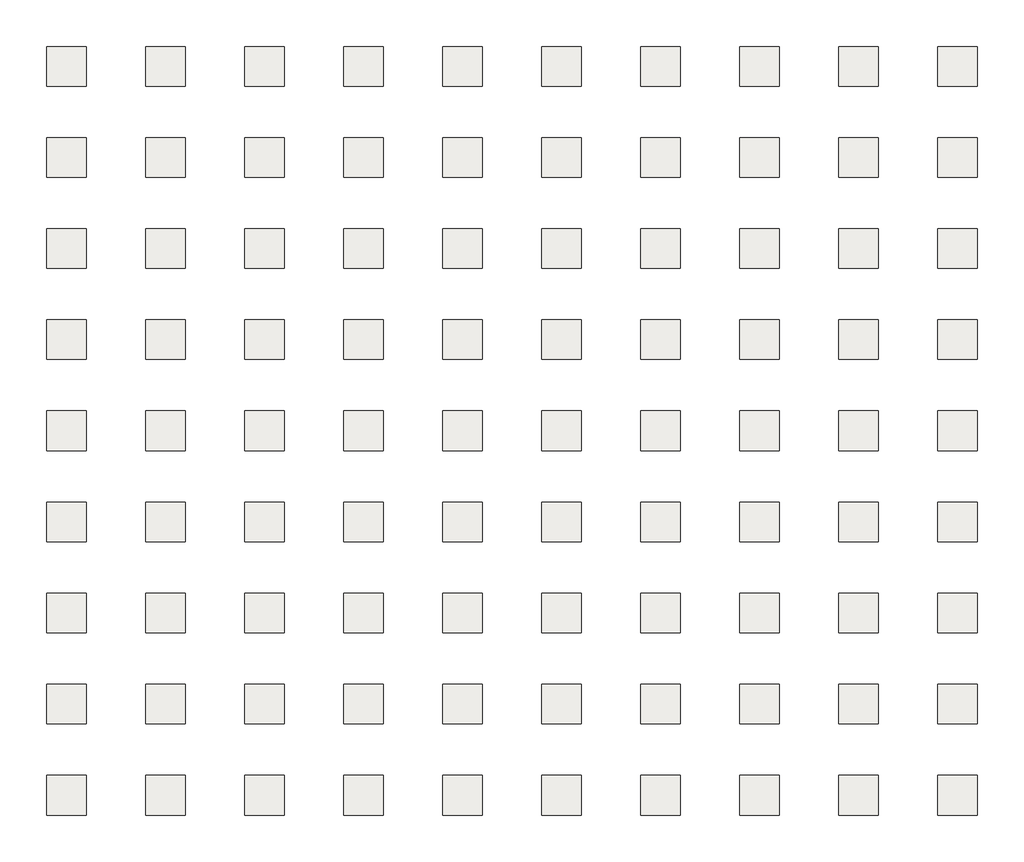
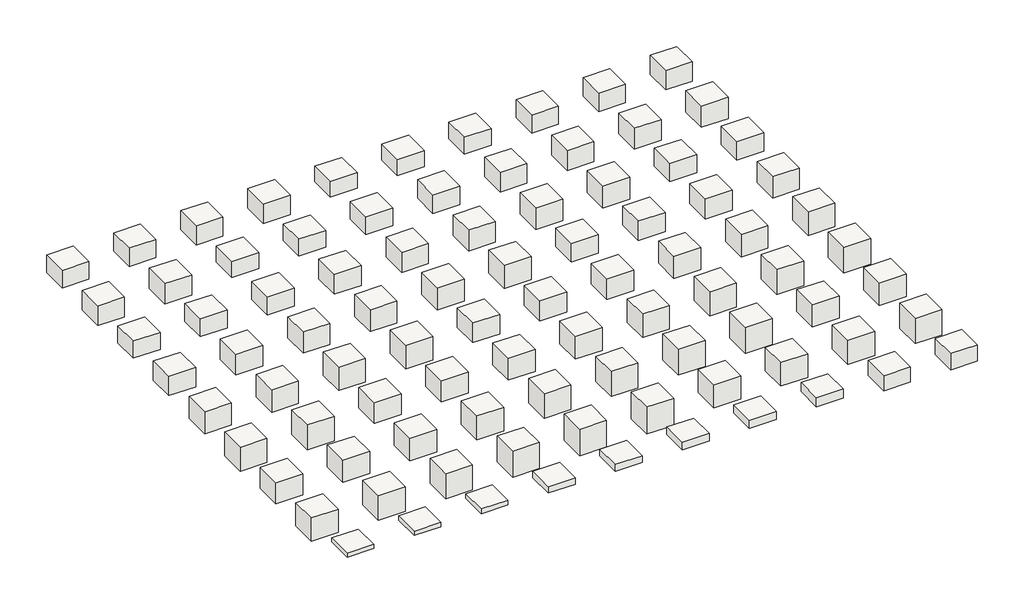
# One storey: 90 slabs.
"""IFC4 building model written with IfcOpenShell, lengths in millimetres."""

from ifc_helpers import new_model, si_unit, frame, origin, place, context, project, spatial, polyline, outline, extrude, element, save

model = new_model("IFC4")

# Units and contexts
model_context = context("Model", 3, world=origin())
ifc_project = project(units=[si_unit("LENGTHUNIT", "METRE", prefix="MILLI")], contexts=[model_context])

# Site, building, storey
site = spatial("IfcSite", under=ifc_project)
building = spatial("IfcBuilding", under=site)
storey = spatial("IfcBuildingStorey", under=building, Elevation=14935.2)

# Slabs
placement = place(None, origin())
element("IfcSlab", 1, at=placement, inside=storey, context=model_context, shape_type="SweptSolid", body=[
    extrude(outline(polyline([(-14128.9835383, 9270.2863389), (-14128.9835383, 6222.2863389), (-17176.9835383, 6222.2863389), (-17176.9835383, 9270.2863389), (-14128.9835383, 9270.2863389)])), frame((0.0, 0.0, 12811.7599892), z_axis=(0.0, 0.0, 1.0), x_axis=(1.0, 0.0, 0.0)), (0.0, 0.0, 1.0), 2123.4400108),
])
element("IfcSlab", 2, at=placement, inside=storey, context=model_context, shape_type="SweptSolid", body=[
    extrude(outline(polyline([(-6508.9835383, 9270.2863389), (-6508.9835383, 6222.2863389), (-9556.9835383, 6222.2863389), (-9556.9835383, 9270.2863389), (-6508.9835383, 9270.2863389)])), frame((0.0, 0.0, 12735.5599892), z_axis=(0.0, 0.0, 1.0), x_axis=(1.0, 0.0, 0.0)), (0.0, 0.0, 1.0), 2199.6400108),
])
element("IfcSlab", 3, at=placement, inside=storey, context=model_context, shape_type="SweptSolid", body=[
    extrude(outline(polyline([(1111.0164617, 9270.2863389), (1111.0164617, 6222.2863389), (-1936.9835383, 6222.2863389), (-1936.9835383, 9270.2863389), (1111.0164617, 9270.2863389)])), frame((0.0, 0.0, 12659.3599892), z_axis=(0.0, 0.0, 1.0), x_axis=(1.0, 0.0, 0.0)), (0.0, 0.0, 1.0), 2275.8400108),
])
element("IfcSlab", 4, at=placement, inside=storey, context=model_context, shape_type="SweptSolid", body=[
    extrude(outline(polyline([(8731.0164617, 9270.2863389), (8731.0164617, 6222.2863389), (5683.0164617, 6222.2863389), (5683.0164617, 9270.2863389), (8731.0164617, 9270.2863389)])), frame((0.0, 0.0, 12583.1599892), z_axis=(0.0, 0.0, 1.0), x_axis=(1.0, 0.0, 0.0)), (0.0, 0.0, 1.0), 2352.0400108),
])
element("IfcSlab", 5, at=placement, inside=storey, context=model_context, shape_type="SweptSolid", body=[
    extrude(outline(polyline([(16351.0164617, 9270.2863389), (16351.0164617, 6222.2863389), (13303.0164617, 6222.2863389), (13303.0164617, 9270.2863389), (16351.0164617, 9270.2863389)])), frame((0.0, 0.0, 13091.1599407), z_axis=(0.0, 0.0, 1.0), x_axis=(1.0, 0.0, 0.0)), (0.0, 0.0, 1.0), 1844.0400593),
])
element("IfcSlab", 6, at=placement, inside=storey, context=model_context, shape_type="SweptSolid", body=[
    extrude(outline(polyline([(23971.0164617, 9270.2863389), (23971.0164617, 6222.2863389), (20923.0164617, 6222.2863389), (20923.0164617, 9270.2863389), (23971.0164617, 9270.2863389)])), frame((0.0, 0.0, 13014.9599407), z_axis=(0.0, 0.0, 1.0), x_axis=(1.0, 0.0, 0.0)), (0.0, 0.0, 1.0), 1920.2400593),
])
element("IfcSlab", 7, at=placement, inside=storey, context=model_context, shape_type="SweptSolid", body=[
    extrude(outline(polyline([(31591.0164617, 9270.2863389), (31591.0164617, 6222.2863389), (28543.0164617, 6222.2863389), (28543.0164617, 9270.2863389), (31591.0164617, 9270.2863389)])), frame((0.0, 0.0, 12938.7599407), z_axis=(0.0, 0.0, 1.0), x_axis=(1.0, 0.0, 0.0)), (0.0, 0.0, 1.0), 1996.4400593),
])
element("IfcSlab", 8, at=placement, inside=storey, context=model_context, shape_type="SweptSolid", body=[
    extrude(outline(polyline([(39211.0164617, 9270.2863389), (39211.0164617, 6222.2863389), (36163.0164617, 6222.2863389), (36163.0164617, 9270.2863389), (39211.0164617, 9270.2863389)])), frame((0.0, 0.0, 12786.3599407), z_axis=(0.0, 0.0, 1.0), x_axis=(1.0, 0.0, 0.0)), (0.0, 0.0, 1.0), 2148.8400593),
])
element("IfcSlab", 9, at=placement, inside=storey, context=model_context, shape_type="SweptSolid", body=[
    extrude(outline(polyline([(46831.0164617, 9270.2863389), (46831.0164617, 6222.2863389), (43783.0164617, 6222.2863389), (43783.0164617, 9270.2863389), (46831.0164617, 9270.2863389)])), frame((0.0, 0.0, 12710.1599407), z_axis=(0.0, 0.0, 1.0), x_axis=(1.0, 0.0, 0.0)), (0.0, 0.0, 1.0), 2225.0400593),
])
element("IfcSlab", 10, at=placement, inside=storey, context=model_context, shape_type="SweptSolid", body=[
    extrude(outline(polyline([(54451.0164617, 9270.2863389), (54451.0164617, 6222.2863389), (51403.0164617, 6222.2863389), (51403.0164617, 9270.2863389), (54451.0164617, 9270.2863389)])), frame((0.0, 0.0, 12633.9599407), z_axis=(0.0, 0.0, 1.0), x_axis=(1.0, 0.0, 0.0)), (0.0, 0.0, 1.0), 2301.2400593),
])
element("IfcSlab", 11, at=placement, inside=storey, context=model_context, shape_type="SweptSolid", body=[
    extrude(outline(polyline([(-14128.9835383, 2259.8863389), (-14128.9835383, -788.1136611), (-17176.9835383, -788.1136611), (-17176.9835383, 2259.8863389), (-14128.9835383, 2259.8863389)])), frame((0.0, 0.0, 12557.7599407), z_axis=(0.0, 0.0, 1.0), x_axis=(1.0, 0.0, 0.0)), (0.0, 0.0, 1.0), 2377.4400593),
])
element("IfcSlab", 12, at=placement, inside=storey, context=model_context, shape_type="SweptSolid", body=[
    extrude(outline(polyline([(-6508.9835383, 2259.8863389), (-6508.9835383, -788.1136611), (-9556.9835383, -788.1136611), (-9556.9835383, 2259.8863389), (-6508.9835383, 2259.8863389)])), frame((0.0, 0.0, 12481.5599407), z_axis=(0.0, 0.0, 1.0), x_axis=(1.0, 0.0, 0.0)), (0.0, 0.0, 1.0), 2453.6400593),
])
element("IfcSlab", 13, at=placement, inside=storey, context=model_context, shape_type="SweptSolid", body=[
    extrude(outline(polyline([(1111.0164617, 2259.8863389), (1111.0164617, -788.1136611), (-1936.9835383, -788.1136611), (-1936.9835383, 2259.8863389), (1111.0164617, 2259.8863389)])), frame((0.0, 0.0, 12992.0999989), z_axis=(0.0, 0.0, 1.0), x_axis=(1.0, 0.0, 0.0)), (0.0, 0.0, 1.0), 1943.1000011),
])
element("IfcSlab", 14, at=placement, inside=storey, context=model_context, shape_type="SweptSolid", body=[
    extrude(outline(polyline([(8731.0164617, 2259.8863389), (8731.0164617, -788.1136611), (5683.0164617, -788.1136611), (5683.0164617, 2259.8863389), (8731.0164617, 2259.8863389)])), frame((0.0, 0.0, 12915.8999989), z_axis=(0.0, 0.0, 1.0), x_axis=(1.0, 0.0, 0.0)), (0.0, 0.0, 1.0), 2019.3000011),
])
element("IfcSlab", 15, at=placement, inside=storey, context=model_context, shape_type="SweptSolid", body=[
    extrude(outline(polyline([(16351.0164617, 2259.8863389), (16351.0164617, -788.1136611), (13303.0164617, -788.1136611), (13303.0164617, 2259.8863389), (16351.0164617, 2259.8863389)])), frame((0.0, 0.0, 12839.6999989), z_axis=(0.0, 0.0, 1.0), x_axis=(1.0, 0.0, 0.0)), (0.0, 0.0, 1.0), 2095.5000011),
])
element("IfcSlab", 16, at=placement, inside=storey, context=model_context, shape_type="SweptSolid", body=[
    extrude(outline(polyline([(23971.0164617, 2259.8863389), (23971.0164617, -788.1136611), (20923.0164617, -788.1136611), (20923.0164617, 2259.8863389), (23971.0164617, 2259.8863389)])), frame((0.0, 0.0, 12687.2999989), z_axis=(0.0, 0.0, 1.0), x_axis=(1.0, 0.0, 0.0)), (0.0, 0.0, 1.0), 2247.9000011),
])
element("IfcSlab", 17, at=placement, inside=storey, context=model_context, shape_type="SweptSolid", body=[
    extrude(outline(polyline([(31591.0164617, 2259.8863389), (31591.0164617, -788.1136611), (28543.0164617, -788.1136611), (28543.0164617, 2259.8863389), (31591.0164617, 2259.8863389)])), frame((0.0, 0.0, 12611.0999989), z_axis=(0.0, 0.0, 1.0), x_axis=(1.0, 0.0, 0.0)), (0.0, 0.0, 1.0), 2324.1000011),
])
element("IfcSlab", 18, at=placement, inside=storey, context=model_context, shape_type="SweptSolid", body=[
    extrude(outline(polyline([(39211.0164617, 2259.8863389), (39211.0164617, -788.1136611), (36163.0164617, -788.1136611), (36163.0164617, 2259.8863389), (39211.0164617, 2259.8863389)])), frame((0.0, 0.0, 12534.8999989), z_axis=(0.0, 0.0, 1.0), x_axis=(1.0, 0.0, 0.0)), (0.0, 0.0, 1.0), 2400.3000011),
])
element("IfcSlab", 19, at=placement, inside=storey, context=model_context, shape_type="SweptSolid", body=[
    extrude(outline(polyline([(46831.0164617, 2259.8863389), (46831.0164617, -788.1136611), (43783.0164617, -788.1136611), (43783.0164617, 2259.8863389), (46831.0164617, 2259.8863389)])), frame((0.0, 0.0, 12458.6999989), z_axis=(0.0, 0.0, 1.0), x_axis=(1.0, 0.0, 0.0)), (0.0, 0.0, 1.0), 2476.5000011),
])
element("IfcSlab", 20, at=placement, inside=storey, context=model_context, shape_type="SweptSolid", body=[
    extrude(outline(polyline([(54451.0164617, 2259.8863389), (54451.0164617, -788.1136611), (51403.0164617, -788.1136611), (51403.0164617, 2259.8863389), (54451.0164617, 2259.8863389)])), frame((0.0, 0.0, 12382.4999989), z_axis=(0.0, 0.0, 1.0), x_axis=(1.0, 0.0, 0.0)), (0.0, 0.0, 1.0), 2552.7000011),
])
element("IfcSlab", 21, at=placement, inside=storey, context=model_context, shape_type="SweptSolid", body=[
    extrude(outline(polyline([(-14128.9835383, -4750.5136611), (-14128.9835383, -7798.5136611), (-17176.9835383, -7798.5136611), (-17176.9835383, -4750.5136611), (-14128.9835383, -4750.5136611)])), frame((0.0, 0.0, 12893.040057), z_axis=(0.0, 0.0, 1.0), x_axis=(1.0, 0.0, 0.0)), (0.0, 0.0, 1.0), 2042.159943),
])
element("IfcSlab", 22, at=placement, inside=storey, context=model_context, shape_type="SweptSolid", body=[
    extrude(outline(polyline([(-6508.9835383, -4750.5136611), (-6508.9835383, -7798.5136611), (-9556.9835383, -7798.5136611), (-9556.9835383, -4750.5136611), (-6508.9835383, -4750.5136611)])), frame((0.0, 0.0, 12816.840057), z_axis=(0.0, 0.0, 1.0), x_axis=(1.0, 0.0, 0.0)), (0.0, 0.0, 1.0), 2118.359943),
])
element("IfcSlab", 23, at=placement, inside=storey, context=model_context, shape_type="SweptSolid", body=[
    extrude(outline(polyline([(1111.0164617, -4750.5136611), (1111.0164617, -7798.5136611), (-1936.9835383, -7798.5136611), (-1936.9835383, -4750.5136611), (1111.0164617, -4750.5136611)])), frame((0.0, 0.0, 12740.640057), z_axis=(0.0, 0.0, 1.0), x_axis=(1.0, 0.0, 0.0)), (0.0, 0.0, 1.0), 2194.559943),
])
element("IfcSlab", 24, at=placement, inside=storey, context=model_context, shape_type="SweptSolid", body=[
    extrude(outline(polyline([(8731.0164617, -4750.5136611), (8731.0164617, -7798.5136611), (5683.0164617, -7798.5136611), (5683.0164617, -4750.5136611), (8731.0164617, -4750.5136611)])), frame((0.0, 0.0, 12588.240057), z_axis=(0.0, 0.0, 1.0), x_axis=(1.0, 0.0, 0.0)), (0.0, 0.0, 1.0), 2346.959943),
])
element("IfcSlab", 25, at=placement, inside=storey, context=model_context, shape_type="SweptSolid", body=[
    extrude(outline(polyline([(16351.0164617, -4750.5136611), (16351.0164617, -7798.5136611), (13303.0164617, -7798.5136611), (13303.0164617, -4750.5136611), (16351.0164617, -4750.5136611)])), frame((0.0, 0.0, 12512.040057), z_axis=(0.0, 0.0, 1.0), x_axis=(1.0, 0.0, 0.0)), (0.0, 0.0, 1.0), 2423.159943),
])
element("IfcSlab", 26, at=placement, inside=storey, context=model_context, shape_type="SweptSolid", body=[
    extrude(outline(polyline([(23971.0164617, -4750.5136611), (23971.0164617, -7798.5136611), (20923.0164617, -7798.5136611), (20923.0164617, -4750.5136611), (23971.0164617, -4750.5136611)])), frame((0.0, 0.0, 12435.840057), z_axis=(0.0, 0.0, 1.0), x_axis=(1.0, 0.0, 0.0)), (0.0, 0.0, 1.0), 2499.359943),
])
element("IfcSlab", 27, at=placement, inside=storey, context=model_context, shape_type="SweptSolid", body=[
    extrude(outline(polyline([(31591.0164617, -4750.5136611), (31591.0164617, -7798.5136611), (28543.0164617, -7798.5136611), (28543.0164617, -4750.5136611), (31591.0164617, -4750.5136611)])), frame((0.0, 0.0, 12359.640057), z_axis=(0.0, 0.0, 1.0), x_axis=(1.0, 0.0, 0.0)), (0.0, 0.0, 1.0), 2575.559943),
])
element("IfcSlab", 28, at=placement, inside=storey, context=model_context, shape_type="SweptSolid", body=[
    extrude(outline(polyline([(39211.0164617, -4750.5136611), (39211.0164617, -7798.5136611), (36163.0164617, -7798.5136611), (36163.0164617, -4750.5136611), (39211.0164617, -4750.5136611)])), frame((0.0, 0.0, 12283.440057), z_axis=(0.0, 0.0, 1.0), x_axis=(1.0, 0.0, 0.0)), (0.0, 0.0, 1.0), 2651.759943),
])
element("IfcSlab", 29, at=placement, inside=storey, context=model_context, shape_type="SweptSolid", body=[
    extrude(outline(polyline([(46831.0164617, -4750.5136611), (46831.0164617, -7798.5136611), (43783.0164617, -7798.5136611), (43783.0164617, -4750.5136611), (46831.0164617, -4750.5136611)])), frame((0.0, 0.0, 12791.4400086), z_axis=(0.0, 0.0, 1.0), x_axis=(1.0, 0.0, 0.0)), (0.0, 0.0, 1.0), 2143.7599914),
])
element("IfcSlab", 30, at=placement, inside=storey, context=model_context, shape_type="SweptSolid", body=[
    extrude(outline(polyline([(54451.0164617, -4750.5136611), (54451.0164617, -7798.5136611), (51403.0164617, -7798.5136611), (51403.0164617, -4750.5136611), (54451.0164617, -4750.5136611)])), frame((0.0, 0.0, 12715.2400086), z_axis=(0.0, 0.0, 1.0), x_axis=(1.0, 0.0, 0.0)), (0.0, 0.0, 1.0), 2219.9599914),
])
element("IfcSlab", 31, at=placement, inside=storey, context=model_context, shape_type="SweptSolid", body=[
    extrude(outline(polyline([(-14128.9835383, -11760.9136611), (-14128.9835383, -14808.9136611), (-17176.9835383, -14808.9136611), (-17176.9835383, -11760.9136611), (-14128.9835383, -11760.9136611)])), frame((0.0, 0.0, 12639.0400086), z_axis=(0.0, 0.0, 1.0), x_axis=(1.0, 0.0, 0.0)), (0.0, 0.0, 1.0), 2296.1599914),
])
element("IfcSlab", 32, at=placement, inside=storey, context=model_context, shape_type="SweptSolid", body=[
    extrude(outline(polyline([(-6508.9835383, -11760.9136611), (-6508.9835383, -14808.9136611), (-9556.9835383, -14808.9136611), (-9556.9835383, -11760.9136611), (-6508.9835383, -11760.9136611)])), frame((0.0, 0.0, 12486.6400086), z_axis=(0.0, 0.0, 1.0), x_axis=(1.0, 0.0, 0.0)), (0.0, 0.0, 1.0), 2448.5599914),
])
element("IfcSlab", 33, at=placement, inside=storey, context=model_context, shape_type="SweptSolid", body=[
    extrude(outline(polyline([(1111.0164617, -11760.9136611), (1111.0164617, -14808.9136611), (-1936.9835383, -14808.9136611), (-1936.9835383, -11760.9136611), (1111.0164617, -11760.9136611)])), frame((0.0, 0.0, 12410.4400086), z_axis=(0.0, 0.0, 1.0), x_axis=(1.0, 0.0, 0.0)), (0.0, 0.0, 1.0), 2524.7599914),
])
element("IfcSlab", 34, at=placement, inside=storey, context=model_context, shape_type="SweptSolid", body=[
    extrude(outline(polyline([(8731.0164617, -11760.9136611), (8731.0164617, -14808.9136611), (5683.0164617, -14808.9136611), (5683.0164617, -11760.9136611), (8731.0164617, -11760.9136611)])), frame((0.0, 0.0, 12334.2400086), z_axis=(0.0, 0.0, 1.0), x_axis=(1.0, 0.0, 0.0)), (0.0, 0.0, 1.0), 2600.9599914),
])
element("IfcSlab", 35, at=placement, inside=storey, context=model_context, shape_type="SweptSolid", body=[
    extrude(outline(polyline([(16351.0164617, -11760.9136611), (16351.0164617, -14808.9136611), (13303.0164617, -14808.9136611), (13303.0164617, -11760.9136611), (16351.0164617, -11760.9136611)])), frame((0.0, 0.0, 12258.0400086), z_axis=(0.0, 0.0, 1.0), x_axis=(1.0, 0.0, 0.0)), (0.0, 0.0, 1.0), 2677.1599914),
])
element("IfcSlab", 36, at=placement, inside=storey, context=model_context, shape_type="SweptSolid", body=[
    extrude(outline(polyline([(23971.0164617, -11760.9136611), (23971.0164617, -14808.9136611), (20923.0164617, -14808.9136611), (20923.0164617, -11760.9136611), (23971.0164617, -11760.9136611)])), frame((0.0, 0.0, 12181.8400086), z_axis=(0.0, 0.0, 1.0), x_axis=(1.0, 0.0, 0.0)), (0.0, 0.0, 1.0), 2753.3599914),
])
element("IfcSlab", 37, at=placement, inside=storey, context=model_context, shape_type="SweptSolid", body=[
    extrude(outline(polyline([(31591.0164617, -11760.9136611), (31591.0164617, -14808.9136611), (28543.0164617, -14808.9136611), (28543.0164617, -11760.9136611), (31591.0164617, -11760.9136611)])), frame((0.0, 0.0, 12692.3800667), z_axis=(0.0, 0.0, 1.0), x_axis=(1.0, 0.0, 0.0)), (0.0, 0.0, 1.0), 2242.8199333),
])
element("IfcSlab", 38, at=placement, inside=storey, context=model_context, shape_type="SweptSolid", body=[
    extrude(outline(polyline([(39211.0164617, -11760.9136611), (39211.0164617, -14808.9136611), (36163.0164617, -14808.9136611), (36163.0164617, -11760.9136611), (39211.0164617, -11760.9136611)])), frame((0.0, 0.0, 12616.1800667), z_axis=(0.0, 0.0, 1.0), x_axis=(1.0, 0.0, 0.0)), (0.0, 0.0, 1.0), 2319.0199333),
])
element("IfcSlab", 39, at=placement, inside=storey, context=model_context, shape_type="SweptSolid", body=[
    extrude(outline(polyline([(46831.0164617, -11760.9136611), (46831.0164617, -14808.9136611), (43783.0164617, -14808.9136611), (43783.0164617, -11760.9136611), (46831.0164617, -11760.9136611)])), frame((0.0, 0.0, 12539.9800667), z_axis=(0.0, 0.0, 1.0), x_axis=(1.0, 0.0, 0.0)), (0.0, 0.0, 1.0), 2395.2199333),
])
element("IfcSlab", 40, at=placement, inside=storey, context=model_context, shape_type="SweptSolid", body=[
    extrude(outline(polyline([(54451.0164617, -11760.9136611), (54451.0164617, -14808.9136611), (51403.0164617, -14808.9136611), (51403.0164617, -11760.9136611), (54451.0164617, -11760.9136611)])), frame((0.0, 0.0, 12387.5800667), z_axis=(0.0, 0.0, 1.0), x_axis=(1.0, 0.0, 0.0)), (0.0, 0.0, 1.0), 2547.6199333),
])
element("IfcSlab", 41, at=placement, inside=storey, context=model_context, shape_type="SweptSolid", body=[
    extrude(outline(polyline([(-14128.9835383, -18771.3136611), (-14128.9835383, -21819.3136611), (-17176.9835383, -21819.3136611), (-17176.9835383, -18771.3136611), (-14128.9835383, -18771.3136611)])), frame((0.0, 0.0, 12311.3800667), z_axis=(0.0, 0.0, 1.0), x_axis=(1.0, 0.0, 0.0)), (0.0, 0.0, 1.0), 2623.8199333),
])
element("IfcSlab", 42, at=placement, inside=storey, context=model_context, shape_type="SweptSolid", body=[
    extrude(outline(polyline([(-6508.9835383, -18771.3136611), (-6508.9835383, -21819.3136611), (-9556.9835383, -21819.3136611), (-9556.9835383, -18771.3136611), (-6508.9835383, -18771.3136611)])), frame((0.0, 0.0, 12235.1800667), z_axis=(0.0, 0.0, 1.0), x_axis=(1.0, 0.0, 0.0)), (0.0, 0.0, 1.0), 2700.0199333),
])
element("IfcSlab", 43, at=placement, inside=storey, context=model_context, shape_type="SweptSolid", body=[
    extrude(outline(polyline([(1111.0164617, -18771.3136611), (1111.0164617, -21819.3136611), (-1936.9835383, -21819.3136611), (-1936.9835383, -18771.3136611), (1111.0164617, -18771.3136611)])), frame((0.0, 0.0, 12158.9800667), z_axis=(0.0, 0.0, 1.0), x_axis=(1.0, 0.0, 0.0)), (0.0, 0.0, 1.0), 2776.2199333),
])
element("IfcSlab", 44, at=placement, inside=storey, context=model_context, shape_type="SweptSolid", body=[
    extrude(outline(polyline([(8731.0164617, -18771.3136611), (8731.0164617, -21819.3136611), (5683.0164617, -21819.3136611), (5683.0164617, -18771.3136611), (8731.0164617, -18771.3136611)])), frame((0.0, 0.0, 12082.7800667), z_axis=(0.0, 0.0, 1.0), x_axis=(1.0, 0.0, 0.0)), (0.0, 0.0, 1.0), 2852.4199333),
])
element("IfcSlab", 45, at=placement, inside=storey, context=model_context, shape_type="SweptSolid", body=[
    extrude(outline(polyline([(16351.0164617, -18771.3136611), (16351.0164617, -21819.3136611), (13303.0164617, -21819.3136611), (13303.0164617, -18771.3136611), (16351.0164617, -18771.3136611)])), frame((0.0, 0.0, 12593.3199795), z_axis=(0.0, 0.0, 1.0), x_axis=(1.0, 0.0, 0.0)), (0.0, 0.0, 1.0), 2341.8800205),
])
element("IfcSlab", 46, at=placement, inside=storey, context=model_context, shape_type="SweptSolid", body=[
    extrude(outline(polyline([(23971.0164617, -18771.3136611), (23971.0164617, -21819.3136611), (20923.0164617, -21819.3136611), (20923.0164617, -18771.3136611), (23971.0164617, -18771.3136611)])), frame((0.0, 0.0, 12517.1199795), z_axis=(0.0, 0.0, 1.0), x_axis=(1.0, 0.0, 0.0)), (0.0, 0.0, 1.0), 2418.0800205),
])
element("IfcSlab", 47, at=placement, inside=storey, context=model_context, shape_type="SweptSolid", body=[
    extrude(outline(polyline([(31591.0164617, -18771.3136611), (31591.0164617, -21819.3136611), (28543.0164617, -21819.3136611), (28543.0164617, -18771.3136611), (31591.0164617, -18771.3136611)])), frame((0.0, 0.0, 12440.9199795), z_axis=(0.0, 0.0, 1.0), x_axis=(1.0, 0.0, 0.0)), (0.0, 0.0, 1.0), 2494.2800205),
])
element("IfcSlab", 48, at=placement, inside=storey, context=model_context, shape_type="SweptSolid", body=[
    extrude(outline(polyline([(39211.0164617, -18771.3136611), (39211.0164617, -21819.3136611), (36163.0164617, -21819.3136611), (36163.0164617, -18771.3136611), (39211.0164617, -18771.3136611)])), frame((0.0, 0.0, 12288.5199795), z_axis=(0.0, 0.0, 1.0), x_axis=(1.0, 0.0, 0.0)), (0.0, 0.0, 1.0), 2646.6800205),
])
element("IfcSlab", 49, at=placement, inside=storey, context=model_context, shape_type="SweptSolid", body=[
    extrude(outline(polyline([(46831.0164617, -18771.3136611), (46831.0164617, -21819.3136611), (43783.0164617, -21819.3136611), (43783.0164617, -18771.3136611), (46831.0164617, -18771.3136611)])), frame((0.0, 0.0, 12212.3199795), z_axis=(0.0, 0.0, 1.0), x_axis=(1.0, 0.0, 0.0)), (0.0, 0.0, 1.0), 2722.8800205),
])
element("IfcSlab", 50, at=placement, inside=storey, context=model_context, shape_type="SweptSolid", body=[
    extrude(outline(polyline([(54451.0164617, -18771.3136611), (54451.0164617, -21819.3136611), (51403.0164617, -21819.3136611), (51403.0164617, -18771.3136611), (54451.0164617, -18771.3136611)])), frame((0.0, 0.0, 12136.1199795), z_axis=(0.0, 0.0, 1.0), x_axis=(1.0, 0.0, 0.0)), (0.0, 0.0, 1.0), 2799.0800205),
])
element("IfcSlab", 51, at=placement, inside=storey, context=model_context, shape_type="SweptSolid", body=[
    extrude(outline(polyline([(-14128.9835383, -25781.7136611), (-14128.9835383, -28829.7136611), (-17176.9835383, -28829.7136611), (-17176.9835383, -25781.7136611), (-14128.9835383, -25781.7136611)])), frame((0.0, 0.0, 12059.9199795), z_axis=(0.0, 0.0, 1.0), x_axis=(1.0, 0.0, 0.0)), (0.0, 0.0, 1.0), 2875.2800205),
])
element("IfcSlab", 52, at=placement, inside=storey, context=model_context, shape_type="SweptSolid", body=[
    extrude(outline(polyline([(-6508.9835383, -25781.7136611), (-6508.9835383, -28829.7136611), (-9556.9835383, -28829.7136611), (-9556.9835383, -25781.7136611), (-6508.9835383, -25781.7136611)])), frame((0.0, 0.0, 11983.7199795), z_axis=(0.0, 0.0, 1.0), x_axis=(1.0, 0.0, 0.0)), (0.0, 0.0, 1.0), 2951.4800205),
])
element("IfcSlab", 53, at=placement, inside=storey, context=model_context, shape_type="SweptSolid", body=[
    extrude(outline(polyline([(1111.0164617, -25781.7136611), (1111.0164617, -28829.7136611), (-1936.9835383, -28829.7136611), (-1936.9835383, -25781.7136611), (1111.0164617, -25781.7136611)])), frame((0.0, 0.0, 12491.719931), z_axis=(0.0, 0.0, 1.0), x_axis=(1.0, 0.0, 0.0)), (0.0, 0.0, 1.0), 2443.480069),
])
element("IfcSlab", 54, at=placement, inside=storey, context=model_context, shape_type="SweptSolid", body=[
    extrude(outline(polyline([(8731.0164617, -25781.7136611), (8731.0164617, -28829.7136611), (5683.0164617, -28829.7136611), (5683.0164617, -25781.7136611), (8731.0164617, -25781.7136611)])), frame((0.0, 0.0, 12415.519931), z_axis=(0.0, 0.0, 1.0), x_axis=(1.0, 0.0, 0.0)), (0.0, 0.0, 1.0), 2519.680069),
])
element("IfcSlab", 55, at=placement, inside=storey, context=model_context, shape_type="SweptSolid", body=[
    extrude(outline(polyline([(16351.0164617, -25781.7136611), (16351.0164617, -28829.7136611), (13303.0164617, -28829.7136611), (13303.0164617, -25781.7136611), (16351.0164617, -25781.7136611)])), frame((0.0, 0.0, 12339.319931), z_axis=(0.0, 0.0, 1.0), x_axis=(1.0, 0.0, 0.0)), (0.0, 0.0, 1.0), 2595.880069),
])
element("IfcSlab", 56, at=placement, inside=storey, context=model_context, shape_type="SweptSolid", body=[
    extrude(outline(polyline([(23971.0164617, -25781.7136611), (23971.0164617, -28829.7136611), (20923.0164617, -28829.7136611), (20923.0164617, -25781.7136611), (23971.0164617, -25781.7136611)])), frame((0.0, 0.0, 12186.919931), z_axis=(0.0, 0.0, 1.0), x_axis=(1.0, 0.0, 0.0)), (0.0, 0.0, 1.0), 2748.280069),
])
element("IfcSlab", 57, at=placement, inside=storey, context=model_context, shape_type="SweptSolid", body=[
    extrude(outline(polyline([(31591.0164617, -25781.7136611), (31591.0164617, -28829.7136611), (28543.0164617, -28829.7136611), (28543.0164617, -25781.7136611), (31591.0164617, -25781.7136611)])), frame((0.0, 0.0, 12110.719931), z_axis=(0.0, 0.0, 1.0), x_axis=(1.0, 0.0, 0.0)), (0.0, 0.0, 1.0), 2824.480069),
])
element("IfcSlab", 58, at=placement, inside=storey, context=model_context, shape_type="SweptSolid", body=[
    extrude(outline(polyline([(39211.0164617, -25781.7136611), (39211.0164617, -28829.7136611), (36163.0164617, -28829.7136611), (36163.0164617, -25781.7136611), (39211.0164617, -25781.7136611)])), frame((0.0, 0.0, 12034.519931), z_axis=(0.0, 0.0, 1.0), x_axis=(1.0, 0.0, 0.0)), (0.0, 0.0, 1.0), 2900.680069),
])
element("IfcSlab", 59, at=placement, inside=storey, context=model_context, shape_type="SweptSolid", body=[
    extrude(outline(polyline([(46831.0164617, -25781.7136611), (46831.0164617, -28829.7136611), (43783.0164617, -28829.7136611), (43783.0164617, -25781.7136611), (46831.0164617, -25781.7136611)])), frame((0.0, 0.0, 11958.319931), z_axis=(0.0, 0.0, 1.0), x_axis=(1.0, 0.0, 0.0)), (0.0, 0.0, 1.0), 2976.880069),
])
element("IfcSlab", 60, at=placement, inside=storey, context=model_context, shape_type="SweptSolid", body=[
    extrude(outline(polyline([(54451.0164617, -25781.7136611), (54451.0164617, -28829.7136611), (51403.0164617, -28829.7136611), (51403.0164617, -25781.7136611), (54451.0164617, -25781.7136611)])), frame((0.0, 0.0, 11882.119931), z_axis=(0.0, 0.0, 1.0), x_axis=(1.0, 0.0, 0.0)), (0.0, 0.0, 1.0), 3053.080069),
])
element("IfcSlab", 61, at=placement, inside=storey, context=model_context, shape_type="SweptSolid", body=[
    extrude(outline(polyline([(-14128.9835383, -32792.1136611), (-14128.9835383, -35840.1136611), (-17176.9835383, -35840.1136611), (-17176.9835383, -32792.1136611), (-14128.9835383, -32792.1136611)])), frame((0.0, 0.0, 12392.6599892), z_axis=(0.0, 0.0, 1.0), x_axis=(1.0, 0.0, 0.0)), (0.0, 0.0, 1.0), 2542.5400108),
])
element("IfcSlab", 62, at=placement, inside=storey, context=model_context, shape_type="SweptSolid", body=[
    extrude(outline(polyline([(-6508.9835383, -32792.1136611), (-6508.9835383, -35840.1136611), (-9556.9835383, -35840.1136611), (-9556.9835383, -32792.1136611), (-6508.9835383, -32792.1136611)])), frame((0.0, 0.0, 12316.4599892), z_axis=(0.0, 0.0, 1.0), x_axis=(1.0, 0.0, 0.0)), (0.0, 0.0, 1.0), 2618.7400108),
])
element("IfcSlab", 63, at=placement, inside=storey, context=model_context, shape_type="SweptSolid", body=[
    extrude(outline(polyline([(1111.0164617, -32792.1136611), (1111.0164617, -35840.1136611), (-1936.9835383, -35840.1136611), (-1936.9835383, -32792.1136611), (1111.0164617, -32792.1136611)])), frame((0.0, 0.0, 12240.2599892), z_axis=(0.0, 0.0, 1.0), x_axis=(1.0, 0.0, 0.0)), (0.0, 0.0, 1.0), 2694.9400108),
])
element("IfcSlab", 64, at=placement, inside=storey, context=model_context, shape_type="SweptSolid", body=[
    extrude(outline(polyline([(8731.0164617, -32792.1136611), (8731.0164617, -35840.1136611), (5683.0164617, -35840.1136611), (5683.0164617, -32792.1136611), (8731.0164617, -32792.1136611)])), frame((0.0, 0.0, 12087.8599892), z_axis=(0.0, 0.0, 1.0), x_axis=(1.0, 0.0, 0.0)), (0.0, 0.0, 1.0), 2847.3400108),
])
element("IfcSlab", 65, at=placement, inside=storey, context=model_context, shape_type="SweptSolid", body=[
    extrude(outline(polyline([(16351.0164617, -32792.1136611), (16351.0164617, -35840.1136611), (13303.0164617, -35840.1136611), (13303.0164617, -32792.1136611), (16351.0164617, -32792.1136611)])), frame((0.0, 0.0, 12011.6599892), z_axis=(0.0, 0.0, 1.0), x_axis=(1.0, 0.0, 0.0)), (0.0, 0.0, 1.0), 2923.5400108),
])
element("IfcSlab", 66, at=placement, inside=storey, context=model_context, shape_type="SweptSolid", body=[
    extrude(outline(polyline([(23971.0164617, -32792.1136611), (23971.0164617, -35840.1136611), (20923.0164617, -35840.1136611), (20923.0164617, -32792.1136611), (23971.0164617, -32792.1136611)])), frame((0.0, 0.0, 11935.4599892), z_axis=(0.0, 0.0, 1.0), x_axis=(1.0, 0.0, 0.0)), (0.0, 0.0, 1.0), 2999.7400108),
])
element("IfcSlab", 67, at=placement, inside=storey, context=model_context, shape_type="SweptSolid", body=[
    extrude(outline(polyline([(31591.0164617, -32792.1136611), (31591.0164617, -35840.1136611), (28543.0164617, -35840.1136611), (28543.0164617, -32792.1136611), (31591.0164617, -32792.1136611)])), frame((0.0, 0.0, 11859.2599892), z_axis=(0.0, 0.0, 1.0), x_axis=(1.0, 0.0, 0.0)), (0.0, 0.0, 1.0), 3075.9400108),
])
element("IfcSlab", 68, at=placement, inside=storey, context=model_context, shape_type="SweptSolid", body=[
    extrude(outline(polyline([(39211.0164617, -32792.1136611), (39211.0164617, -35840.1136611), (36163.0164617, -35840.1136611), (36163.0164617, -32792.1136611), (39211.0164617, -32792.1136611)])), frame((0.0, 0.0, 11783.0599892), z_axis=(0.0, 0.0, 1.0), x_axis=(1.0, 0.0, 0.0)), (0.0, 0.0, 1.0), 3152.1400108),
])
element("IfcSlab", 69, at=placement, inside=storey, context=model_context, shape_type="SweptSolid", body=[
    extrude(outline(polyline([(46831.0164617, -32792.1136611), (46831.0164617, -35840.1136611), (43783.0164617, -35840.1136611), (43783.0164617, -32792.1136611), (46831.0164617, -32792.1136611)])), frame((0.0, 0.0, 12291.0599407), z_axis=(0.0, 0.0, 1.0), x_axis=(1.0, 0.0, 0.0)), (0.0, 0.0, 1.0), 2644.1400593),
])
element("IfcSlab", 70, at=placement, inside=storey, context=model_context, shape_type="SweptSolid", body=[
    extrude(outline(polyline([(54451.0164617, -32792.1136611), (54451.0164617, -35840.1136611), (51403.0164617, -35840.1136611), (51403.0164617, -32792.1136611), (54451.0164617, -32792.1136611)])), frame((0.0, 0.0, 12214.8599407), z_axis=(0.0, 0.0, 1.0), x_axis=(1.0, 0.0, 0.0)), (0.0, 0.0, 1.0), 2720.3400593),
])
element("IfcSlab", 71, at=placement, inside=storey, context=model_context, shape_type="SweptSolid", body=[
    extrude(outline(polyline([(-14128.9835383, -39802.5136611), (-14128.9835383, -42850.5136611), (-17176.9835383, -42850.5136611), (-17176.9835383, -39802.5136611), (-14128.9835383, -39802.5136611)])), frame((0.0, 0.0, 12138.6599407), z_axis=(0.0, 0.0, 1.0), x_axis=(1.0, 0.0, 0.0)), (0.0, 0.0, 1.0), 2796.5400593),
])
element("IfcSlab", 72, at=placement, inside=storey, context=model_context, shape_type="SweptSolid", body=[
    extrude(outline(polyline([(-6508.9835383, -39802.5136611), (-6508.9835383, -42850.5136611), (-9556.9835383, -42850.5136611), (-9556.9835383, -39802.5136611), (-6508.9835383, -39802.5136611)])), frame((0.0, 0.0, 11986.2599407), z_axis=(0.0, 0.0, 1.0), x_axis=(1.0, 0.0, 0.0)), (0.0, 0.0, 1.0), 2948.9400593),
])
element("IfcSlab", 73, at=placement, inside=storey, context=model_context, shape_type="SweptSolid", body=[
    extrude(outline(polyline([(1111.0164617, -39802.5136611), (1111.0164617, -42850.5136611), (-1936.9835383, -42850.5136611), (-1936.9835383, -39802.5136611), (1111.0164617, -39802.5136611)])), frame((0.0, 0.0, 11910.0599407), z_axis=(0.0, 0.0, 1.0), x_axis=(1.0, 0.0, 0.0)), (0.0, 0.0, 1.0), 3025.1400593),
])
element("IfcSlab", 74, at=placement, inside=storey, context=model_context, shape_type="SweptSolid", body=[
    extrude(outline(polyline([(8731.0164617, -39802.5136611), (8731.0164617, -42850.5136611), (5683.0164617, -42850.5136611), (5683.0164617, -39802.5136611), (8731.0164617, -39802.5136611)])), frame((0.0, 0.0, 11833.8599407), z_axis=(0.0, 0.0, 1.0), x_axis=(1.0, 0.0, 0.0)), (0.0, 0.0, 1.0), 3101.3400593),
])
element("IfcSlab", 75, at=placement, inside=storey, context=model_context, shape_type="SweptSolid", body=[
    extrude(outline(polyline([(16351.0164617, -39802.5136611), (16351.0164617, -42850.5136611), (13303.0164617, -42850.5136611), (13303.0164617, -39802.5136611), (16351.0164617, -39802.5136611)])), frame((0.0, 0.0, 11757.6599407), z_axis=(0.0, 0.0, 1.0), x_axis=(1.0, 0.0, 0.0)), (0.0, 0.0, 1.0), 3177.5400593),
])
element("IfcSlab", 76, at=placement, inside=storey, context=model_context, shape_type="SweptSolid", body=[
    extrude(outline(polyline([(23971.0164617, -39802.5136611), (23971.0164617, -42850.5136611), (20923.0164617, -42850.5136611), (20923.0164617, -39802.5136611), (23971.0164617, -39802.5136611)])), frame((0.0, 0.0, 11681.4599407), z_axis=(0.0, 0.0, 1.0), x_axis=(1.0, 0.0, 0.0)), (0.0, 0.0, 1.0), 3253.7400593),
])
element("IfcSlab", 77, at=placement, inside=storey, context=model_context, shape_type="SweptSolid", body=[
    extrude(outline(polyline([(31591.0164617, -39802.5136611), (31591.0164617, -42850.5136611), (28543.0164617, -42850.5136611), (28543.0164617, -39802.5136611), (31591.0164617, -39802.5136611)])), frame((0.0, 0.0, 12191.9999989), z_axis=(0.0, 0.0, 1.0), x_axis=(1.0, 0.0, 0.0)), (0.0, 0.0, 1.0), 2743.2000011),
])
element("IfcSlab", 78, at=placement, inside=storey, context=model_context, shape_type="SweptSolid", body=[
    extrude(outline(polyline([(39211.0164617, -39802.5136611), (39211.0164617, -42850.5136611), (36163.0164617, -42850.5136611), (36163.0164617, -39802.5136611), (39211.0164617, -39802.5136611)])), frame((0.0, 0.0, 12115.7999989), z_axis=(0.0, 0.0, 1.0), x_axis=(1.0, 0.0, 0.0)), (0.0, 0.0, 1.0), 2819.4000011),
])
element("IfcSlab", 79, at=placement, inside=storey, context=model_context, shape_type="SweptSolid", body=[
    extrude(outline(polyline([(46831.0164617, -39802.5136611), (46831.0164617, -42850.5136611), (43783.0164617, -42850.5136611), (43783.0164617, -39802.5136611), (46831.0164617, -39802.5136611)])), frame((0.0, 0.0, 12039.5999989), z_axis=(0.0, 0.0, 1.0), x_axis=(1.0, 0.0, 0.0)), (0.0, 0.0, 1.0), 2895.6000011),
])
element("IfcSlab", 80, at=placement, inside=storey, context=model_context, shape_type="SweptSolid", body=[
    extrude(outline(polyline([(54451.0164617, -39802.5136611), (54451.0164617, -42850.5136611), (51403.0164617, -42850.5136611), (51403.0164617, -39802.5136611), (54451.0164617, -39802.5136611)])), frame((0.0, 0.0, 11887.1999989), z_axis=(0.0, 0.0, 1.0), x_axis=(1.0, 0.0, 0.0)), (0.0, 0.0, 1.0), 3048.0000011),
])
element("IfcSlab", 81, at=placement, inside=storey, context=model_context, shape_type="SweptSolid", body=[
    extrude(outline(polyline([(-14128.9835383, -46812.9136611), (-14128.9835383, -49860.9136611), (-17176.9835383, -49860.9136611), (-17176.9835383, -46812.9136611), (-14128.9835383, -46812.9136611)])), frame((0.0, 0.0, 14493.2400025), z_axis=(0.0, 0.0, 1.0), x_axis=(1.0, 0.0, 0.0)), (0.0, 0.0, 1.0), 441.9599975),
])
element("IfcSlab", 82, at=placement, inside=storey, context=model_context, shape_type="SweptSolid", body=[
    extrude(outline(polyline([(-6508.9835383, -46812.9136611), (-6508.9835383, -49860.9136611), (-9556.9835383, -49860.9136611), (-9556.9835383, -46812.9136611), (-6508.9835383, -46812.9136611)])), frame((0.0, 0.0, 14417.0400025), z_axis=(0.0, 0.0, 1.0), x_axis=(1.0, 0.0, 0.0)), (0.0, 0.0, 1.0), 518.1599975),
])
element("IfcSlab", 83, at=placement, inside=storey, context=model_context, shape_type="SweptSolid", body=[
    extrude(outline(polyline([(1111.0164617, -46812.9136611), (1111.0164617, -49860.9136611), (-1936.9835383, -49860.9136611), (-1936.9835383, -46812.9136611), (1111.0164617, -46812.9136611)])), frame((0.0, 0.0, 14340.8400025), z_axis=(0.0, 0.0, 1.0), x_axis=(1.0, 0.0, 0.0)), (0.0, 0.0, 1.0), 594.3599975),
])
element("IfcSlab", 84, at=placement, inside=storey, context=model_context, shape_type="SweptSolid", body=[
    extrude(outline(polyline([(8731.0164617, -46812.9136611), (8731.0164617, -49860.9136611), (5683.0164617, -49860.9136611), (5683.0164617, -46812.9136611), (8731.0164617, -46812.9136611)])), frame((0.0, 0.0, 14188.4400025), z_axis=(0.0, 0.0, 1.0), x_axis=(1.0, 0.0, 0.0)), (0.0, 0.0, 1.0), 746.7599975),
])
element("IfcSlab", 85, at=placement, inside=storey, context=model_context, shape_type="SweptSolid", body=[
    extrude(outline(polyline([(16351.0164617, -46812.9136611), (16351.0164617, -49860.9136611), (13303.0164617, -49860.9136611), (13303.0164617, -46812.9136611), (16351.0164617, -46812.9136611)])), frame((0.0, 0.0, 14112.2400025), z_axis=(0.0, 0.0, 1.0), x_axis=(1.0, 0.0, 0.0)), (0.0, 0.0, 1.0), 822.9599975),
])
element("IfcSlab", 86, at=placement, inside=storey, context=model_context, shape_type="SweptSolid", body=[
    extrude(outline(polyline([(23971.0164617, -46812.9136611), (23971.0164617, -49860.9136611), (20923.0164617, -49860.9136611), (20923.0164617, -46812.9136611), (23971.0164617, -46812.9136611)])), frame((0.0, 0.0, 14036.0400025), z_axis=(0.0, 0.0, 1.0), x_axis=(1.0, 0.0, 0.0)), (0.0, 0.0, 1.0), 899.1599975),
])
element("IfcSlab", 87, at=placement, inside=storey, context=model_context, shape_type="SweptSolid", body=[
    extrude(outline(polyline([(31591.0164617, -46812.9136611), (31591.0164617, -49860.9136611), (28543.0164617, -49860.9136611), (28543.0164617, -46812.9136611), (31591.0164617, -46812.9136611)])), frame((0.0, 0.0, 13959.8400025), z_axis=(0.0, 0.0, 1.0), x_axis=(1.0, 0.0, 0.0)), (0.0, 0.0, 1.0), 975.3599975),
])
element("IfcSlab", 88, at=placement, inside=storey, context=model_context, shape_type="SweptSolid", body=[
    extrude(outline(polyline([(39211.0164617, -46812.9136611), (39211.0164617, -49860.9136611), (36163.0164617, -49860.9136611), (36163.0164617, -46812.9136611), (39211.0164617, -46812.9136611)])), frame((0.0, 0.0, 13883.6400025), z_axis=(0.0, 0.0, 1.0), x_axis=(1.0, 0.0, 0.0)), (0.0, 0.0, 1.0), 1051.5599975),
])
element("IfcSlab", 89, at=placement, inside=storey, context=model_context, shape_type="SweptSolid", body=[
    extrude(outline(polyline([(46831.0164617, -46812.9136611), (46831.0164617, -49860.9136611), (43783.0164617, -49860.9136611), (43783.0164617, -46812.9136611), (46831.0164617, -46812.9136611)])), frame((0.0, 0.0, 13139.419931), z_axis=(0.0, 0.0, 1.0), x_axis=(1.0, 0.0, 0.0)), (0.0, 0.0, 1.0), 1795.780069),
])
element("IfcSlab", 90, at=placement, inside=storey, context=model_context, shape_type="SweptSolid", body=[
    extrude(outline(polyline([(54451.0164617, -46812.9136611), (54451.0164617, -49860.9136611), (51403.0164617, -49860.9136611), (51403.0164617, -46812.9136611), (54451.0164617, -46812.9136611)])), frame((0.0, 0.0, 12987.019931), z_axis=(0.0, 0.0, 1.0), x_axis=(1.0, 0.0, 0.0)), (0.0, 0.0, 1.0), 1948.180069),
])

save(model, "model.ifc")
